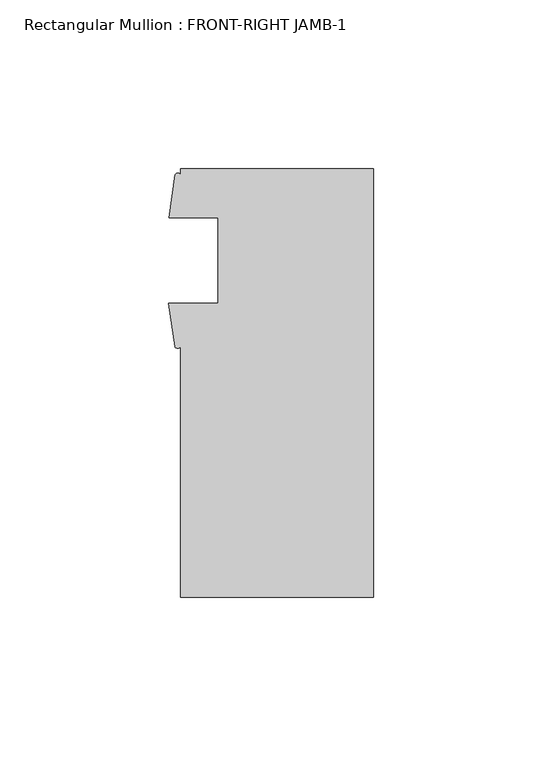
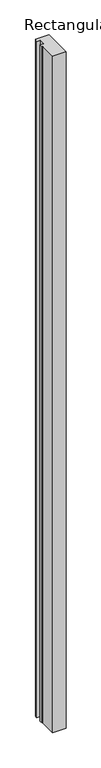
"""IFC4 building model written with IfcOpenShell, lengths in millimetres: member geometry, Rectangular Mullion : FRONT-RIGHT JAMB-1."""

from ifc_helpers import new_model, si_unit, point, frame, frame_2d, origin, place, context, project, spatial, polyline, circle_curve, trimmed, segment, composite_curve, outline, extrude, source, transform, mapped, element, save


def rectangular_mullion_front_right_jamb_1_935b7fdf(model_context):
    return source(origin(), model_context, "Body", "SweptSolid", [
        extrude(outline(composite_curve([segment(polyline([(0.0, -112.5140625), (-57.15, -112.5140625), (-57.15, -38.1906403)]), True, "CONTINUOUS"), segment(trimmed(circle_curve(frame_2d((-57.9817022, -37.6703412)), 0.9810401), [point((-57.15, -38.1906403))], [point((-58.8134044, -38.1906403))], False, "CARTESIAN"), True, "CONTINUOUS"), segment(polyline([(-58.8134044, -38.1906403), (-60.6695217, -25.4175875), (-46.0375, -25.4175875), (-46.0375, -0.0175875), (-60.546, -0.0175875), (-58.7358963, 12.7537)]), True, "CONTINUOUS"), segment(trimmed(circle_curve(frame_2d((-57.9429481, 12.2824764)), 0.9223982), [point((-58.7358963, 12.7537))], [point((-57.15, 12.7537))], False, "CARTESIAN"), True, "CONTINUOUS"), segment(polyline([(-57.15, 12.7537), (-57.15, 14.4859375), (0.0, 14.4859375), (0.0, -112.5140625)]), True, "CONTINUOUS")], self_intersect=False)), frame((0.0, 0.0, -3048.0), z_axis=(0.0, 0.0, 1.0), x_axis=(1.0, 0.0, 0.0)), (0.0, 0.0, 1.0), 3048.0),
    ])


if __name__ == "__main__":
    model = new_model("IFC4")
    model_context = context("Model", 3, world=origin())
    ifc_project = project(units=[si_unit("LENGTHUNIT", "METRE", prefix="MILLI")], contexts=[model_context])
    site = spatial("IfcSite", under=ifc_project)
    building = spatial("IfcBuilding", under=site)
    placement = place(None, origin())
    rectangular_mullion_front_right_jamb_1_shape = rectangular_mullion_front_right_jamb_1_935b7fdf(model_context)
    element("IfcMember", 1, ObjectType="Rectangular Mullion : FRONT-RIGHT JAMB-1", at=placement, inside=building, context=model_context, shape_type="MappedRepresentation", body=[
        mapped(rectangular_mullion_front_right_jamb_1_shape, transform((0.0, 0.0, 0.0), x_axis=(1.0, 0.0, 0.0), y_axis=(0.0, 1.0, 0.0), z_axis=(0.0, 0.0, 1.0))),
    ])
    save(model, "model.ifc")
